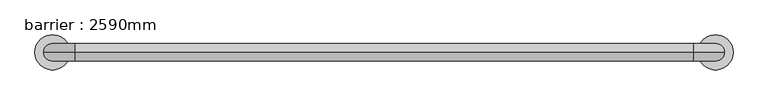
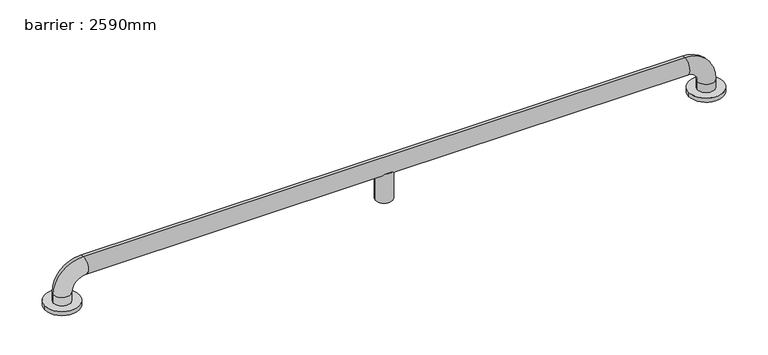
"""IFC4 building model written with IfcOpenShell, lengths in millimetres: geographic element geometry, barrier : 2590mm."""

from ifc_helpers import new_model, si_unit, point, frame, origin, place, context, project, spatial, circle_curve, ellipse_curve, trimmed, source, transform, mapped, element, save
from ifc_brep_helpers import plane_surface, cylinder_surface, revolved_surface, advanced_brep


def barrier_2590mm_631e2cf3(model_context):
    return source(origin(), model_context, "Body", "AdvancedBrep", [
        advanced_brep(
        [(-33.791913, 0.0, 0.0), (46.208087, 0.0, 0.0), (1469.7729307, 0.0, 0.0), (1549.7729307, 0.0, 0.0), (26.208087, 0.0, 30.0), (-13.791913, 0.0, 30.0), (-13.791913, 0.0, 10.0), (26.208087, 0.0, 10.0), (56.208087, 0.0, 60.0), (56.208087, 0.0, 100.0), (737.9905089, 0.0, 60.0), (749.2967977, -18.0116458, 71.3062888), (766.6842201, -18.0116458, 71.3062888), (777.9905089, 0.0, 60.0), (1459.7729307, 0.0, 60.0), (1459.7729307, 0.0, 100.0), (766.6842201, 18.0116458, 71.3062888), (749.2967977, 18.0116458, 71.3062888), (1489.7729307, 0.0, 30.0), (1529.7729307, 0.0, 30.0), (1489.7729307, 0.0, 10.0), (1529.7729307, 0.0, 10.0), (737.9905089, 0.0, 0.0), (777.9905089, 0.0, 0.0), (-33.791913, 0.0, 10.0), (46.208087, 0.0, 10.0), (1469.7729307, 0.0, 10.0), (1549.7729307, 0.0, 10.0)],
        [
            (0, 1, circle_curve(frame((6.208087, 0.0, 0.0), z_axis=(0.0, 0.0, -1.0), x_axis=(1.0, 0.0, 0.0)), 40.0)),
            (1, 0, circle_curve(frame((6.208087, 0.0, 0.0), z_axis=(0.0, 0.0, -1.0), x_axis=(1.0, 0.0, 0.0)), 40.0)),
            (2, 3, circle_curve(frame((1509.7729307, 0.0, 0.0), z_axis=(0.0, 0.0, -1.0), x_axis=(1.0, 0.0, 0.0)), 40.0)),
            (3, 2, circle_curve(frame((1509.7729307, 0.0, 0.0), z_axis=(0.0, 0.0, -1.0), x_axis=(1.0, 0.0, 0.0)), 40.0)),
            (4, 5, circle_curve(frame((6.208087, 0.0, 30.0), z_axis=(0.0, 0.0, -1.0), x_axis=(-1.0, 0.0, 0.0)), 20.0)),
            (5, 6),
            (6, 7, circle_curve(frame((6.208087, 0.0, 10.0), z_axis=(0.0, 0.0, 1.0), x_axis=(-1.0, 0.0, 0.0)), 20.0)),
            (7, 4),
            (5, 4, circle_curve(frame((6.208087, 0.0, 30.0), z_axis=(0.0, 0.0, -1.0), x_axis=(-1.0, 0.0, 0.0)), 20.0)),
            (7, 6, circle_curve(frame((6.208087, 0.0, 10.0), z_axis=(0.0, 0.0, 1.0), x_axis=(-1.0, 0.0, 0.0)), 20.0)),
            (4, 8, circle_curve(frame((56.208087, 0.0, 30.0), z_axis=(0.0, 1.0, 0.0), x_axis=(-1.0, 0.0, 0.0)), 30.0)),
            (8, 9, circle_curve(frame((56.208087, 0.0, 80.0), z_axis=(-1.0, 0.0, 0.0), x_axis=(0.0, 0.0, 1.0)), 20.0)),
            (9, 5, circle_curve(frame((56.208087, 0.0, 30.0), z_axis=(0.0, -1.0, 0.0), x_axis=(-1.0, 0.0, 0.0)), 70.0)),
            (9, 8, circle_curve(frame((56.208087, 0.0, 80.0), z_axis=(-1.0, 0.0, 0.0), x_axis=(0.0, 0.0, 1.0)), 20.0)),
            (8, 10),
            (10, 11, ellipse_curve(frame((757.9905089, 0.0, 80.0), z_axis=(-0.7071067811865475, 0.0, 0.7071067811865475), x_axis=(-0.7071067811865476, 0.0, -0.7071067811865474)), 28.2842712, 20.0)),
            (11, 12),
            (12, 13, ellipse_curve(frame((757.9905089, 0.0, 80.0), z_axis=(0.7071067811865475, 0.0, 0.7071067811865475), x_axis=(-0.7071067811865476, 0.0, 0.7071067811865474)), 28.2842712, 20.0)),
            (13, 14),
            (14, 15, circle_curve(frame((1459.7729307, 0.0, 80.0), z_axis=(-1.0, 0.0, 0.0), x_axis=(0.0, 0.0, 1.0)), 20.0)),
            (15, 9),
            (15, 14, circle_curve(frame((1459.7729307, 0.0, 80.0), z_axis=(-1.0, 0.0, 0.0), x_axis=(0.0, 0.0, 1.0)), 20.0)),
            (13, 16, ellipse_curve(frame((757.9905089, 0.0, 80.0), z_axis=(0.7071067811865475, 0.0, 0.7071067811865475), x_axis=(-0.7071067811865476, 0.0, 0.7071067811865474)), 28.2842712, 20.0)),
            (16, 17),
            (17, 10, ellipse_curve(frame((757.9905089, 0.0, 80.0), z_axis=(-0.7071067811865475, 0.0, 0.7071067811865475), x_axis=(-0.7071067811865476, 0.0, -0.7071067811865474)), 28.2842712, 20.0)),
            (14, 18, circle_curve(frame((1459.7729307, 0.0, 30.0), z_axis=(0.0, 1.0, 0.0), x_axis=(0.0, 0.0, 1.0)), 30.0)),
            (18, 19, circle_curve(frame((1509.7729307, 0.0, 30.0), z_axis=(0.0, 0.0, 1.0), x_axis=(1.0, 0.0, 0.0)), 20.0)),
            (19, 15, circle_curve(frame((1459.7729307, 0.0, 30.0), z_axis=(0.0, -1.0, 0.0), x_axis=(0.0, 0.0, 1.0)), 70.0)),
            (19, 18, circle_curve(frame((1509.7729307, 0.0, 30.0), z_axis=(0.0, 0.0, 1.0), x_axis=(1.0, 0.0, 0.0)), 20.0)),
            (18, 20),
            (20, 21, circle_curve(frame((1509.7729307, 0.0, 10.0), z_axis=(0.0, 0.0, 1.0), x_axis=(1.0, 0.0, 0.0)), 20.0)),
            (21, 19),
            (21, 20, circle_curve(frame((1509.7729307, 0.0, 10.0), z_axis=(0.0, 0.0, 1.0), x_axis=(1.0, 0.0, 0.0)), 20.0)),
            (22, 23, circle_curve(frame((757.9905089, 0.0, 0.0), z_axis=(0.0, 0.0, -1.0), x_axis=(1.0, 0.0, 0.0)), 20.0)),
            (23, 22, circle_curve(frame((757.9905089, 0.0, 0.0), z_axis=(0.0, 0.0, -1.0), x_axis=(1.0, 0.0, 0.0)), 20.0)),
            (23, 13),
            (12, 11, circle_curve(frame((757.9905089, 0.0, 71.3062888), z_axis=(0.0, 0.0, -1.0), x_axis=(1.0, 0.0, 0.0)), 20.0)),
            (10, 22),
            (17, 16, circle_curve(frame((757.9905089, 0.0, 71.3062888), z_axis=(0.0, 0.0, -1.0), x_axis=(1.0, 0.0, 0.0)), 20.0)),
            (24, 25, circle_curve(frame((6.208087, 0.0, 10.0), z_axis=(0.0, 0.0, 1.0), x_axis=(1.0, 0.0, 0.0)), 40.0)),
            (25, 24, circle_curve(frame((6.208087, 0.0, 10.0), z_axis=(0.0, 0.0, 1.0), x_axis=(1.0, 0.0, 0.0)), 40.0)),
            (26, 27, circle_curve(frame((1509.7729307, 0.0, 10.0), z_axis=(0.0, 0.0, 1.0), x_axis=(1.0, 0.0, 0.0)), 40.0)),
            (27, 26, circle_curve(frame((1509.7729307, 0.0, 10.0), z_axis=(0.0, 0.0, 1.0), x_axis=(1.0, 0.0, 0.0)), 40.0)),
            (24, 0),
            (1, 25),
            (26, 2),
            (3, 27),
        ],
        [
            plane_surface(frame((6.208087, -20.0, 0.0), z_axis=(0.0, 0.0, -1.0), x_axis=(1.0, 0.0, 0.0))),
            cylinder_surface(frame((6.208087, 0.0, 0.0), z_axis=(0.0, 0.0, -1.0), x_axis=(-1.0, 0.0, 0.0)), 20.0),
            revolved_surface(trimmed(ellipse_curve(frame((6.208087, 0.0, 30.0), z_axis=(0.0, 0.0, -1.0), x_axis=(-1.0, 0.0, 0.0)), 20.0, 20.0), [point((26.208087, 0.0, 30.0))], [point((-13.791913, 0.0, 30.0))], True, "CARTESIAN"), (56.208087, 0.0, 30.0), (0.0, 1.0, 0.0)),
            revolved_surface(trimmed(ellipse_curve(frame((6.208087, 0.0, 30.0), z_axis=(0.0, 0.0, -1.0), x_axis=(-1.0, 0.0, 0.0)), 20.0, 20.0), [point((-13.791913, 0.0, 30.0))], [point((26.208087, 0.0, 30.0))], True, "CARTESIAN"), (56.208087, 0.0, 30.0), (0.0, 1.0, 0.0)),
            cylinder_surface(frame((56.208087, 0.0, 80.0), z_axis=(-1.0, 0.0, 0.0), x_axis=(0.0, 0.0, 1.0)), 20.0),
            revolved_surface(trimmed(ellipse_curve(frame((1459.7729307, 0.0, 80.0), z_axis=(-1.0, 0.0, 0.0), x_axis=(0.0, 0.0, 1.0)), 20.0, 20.0), [point((1459.7729307, 0.0, 60.0))], [point((1459.7729307, 0.0, 100.0))], True, "CARTESIAN"), (1459.7729307, 0.0, 30.0), (0.0, 1.0, 0.0)),
            revolved_surface(trimmed(ellipse_curve(frame((1459.7729307, 0.0, 80.0), z_axis=(-1.0, 0.0, 0.0), x_axis=(0.0, 0.0, 1.0)), 20.0, 20.0), [point((1459.7729307, 0.0, 100.0))], [point((1459.7729307, 0.0, 60.0))], True, "CARTESIAN"), (1459.7729307, 0.0, 30.0), (0.0, 1.0, 0.0)),
            cylinder_surface(frame((1509.7729307, 0.0, 30.0), z_axis=(0.0, 0.0, 1.0), x_axis=(1.0, 0.0, 0.0)), 20.0),
            plane_surface(frame((777.9905089, 0.0, 0.0), z_axis=(0.0, 0.0, -1.0), x_axis=(0.0, -1.0, 0.0))),
            cylinder_surface(frame((757.9905089, 0.0, 0.0), z_axis=(0.0, 0.0, 1.0), x_axis=(1.0, 0.0, 0.0)), 20.0),
            plane_surface(frame((46.208087, 0.0, 10.0), z_axis=(0.0, 0.0, 1.0), x_axis=(0.0, 1.0, 0.0))),
            cylinder_surface(frame((6.208087, 0.0, 0.0), z_axis=(0.0, 0.0, 1.0), x_axis=(1.0, 0.0, 0.0)), 40.0),
            cylinder_surface(frame((1509.7729307, 0.0, 0.0), z_axis=(0.0, 0.0, 1.0), x_axis=(1.0, 0.0, 0.0)), 40.0),
            plane_surface(frame((777.9905089, 0.0, 71.3062888), z_axis=(0.0, 0.0, 1.0), x_axis=(0.0, 1.0, 0.0))),
        ],
        [
            (0, [[1, 2]]),
            (0, [[3, 4]]),
            (1, [[5, 6, 7, 8]]),
            (1, [[9, -8, 10, -6]]),
            (2, [[-5, 11, 12, 13]]),
            (3, [[-9, -13, 14, -11]]),
            (4, [[-12, 15, 16, 17, 18, 19, 20, 21]]),
            (4, [[-14, -21, 22, -19, 23, 24, 25, -15]]),
            (5, [[-20, 26, 27, 28]]),
            (6, [[-22, -28, 29, -26]]),
            (7, [[-27, 30, 31, 32]]),
            (7, [[-29, -32, 33, -30]]),
            (8, [[34, 35]]),
            (9, [[-35, 36, -18, 37, -16, 38]]),
            (9, [[-34, -38, -25, 39, -23, -36]]),
            (10, [[40, 41], [-7, -10]]),
            (10, [[42, 43], [-31, -33]]),
            (11, [[-40, 44, -2, 45]]),
            (11, [[-41, -45, -1, -44]]),
            (12, [[-42, 46, -4, 47]]),
            (12, [[-43, -47, -3, -46]]),
            (13, [[-37, -17]]),
            (13, [[-39, -24]]),
        ],
    ),
    ])


if __name__ == "__main__":
    model = new_model("IFC4")
    model_context = context("Model", 3, world=origin())
    ifc_project = project(units=[si_unit("LENGTHUNIT", "METRE", prefix="MILLI")], contexts=[model_context])
    site = spatial("IfcSite", under=ifc_project)
    building = spatial("IfcBuilding", under=site)
    placement = place(None, origin())
    barrier_2590mm_shape = barrier_2590mm_631e2cf3(model_context)
    element("IfcGeographicElement", 1, ObjectType="barrier : 2590mm", at=placement, inside=building, context=model_context, shape_type="MappedRepresentation", body=[
        mapped(barrier_2590mm_shape, transform((0.0, 0.0, 0.0), x_axis=(1.0, 0.0, 0.0), y_axis=(0.0, 1.0, 0.0), z_axis=(0.0, 0.0, 1.0))),
    ])
    save(model, "model.ifc")
